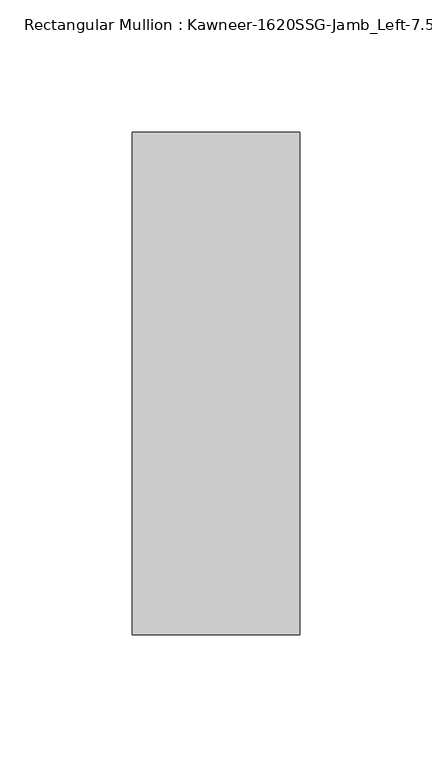
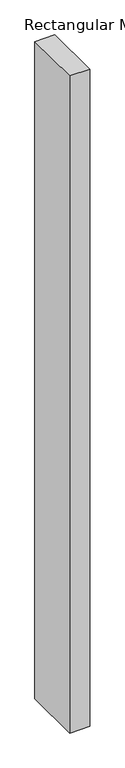
"""IFC4 building model written with IfcOpenShell, lengths in millimetres: member geometry."""

from ifc_helpers import new_model, si_unit, frame, origin, place, context, project, spatial, polyline, outline, extrude, source, transform, mapped, element, save


def member_ab0aa381(model_context):
    return source(origin(), model_context, "Body", "SweptSolid", [
        extrude(outline(polyline([(-63.5, 28.575), (0.0, 28.575), (0.0, -161.925), (-63.5, -161.925), (-63.5, 28.575)])), frame((0.0, 0.0, -2203.45), z_axis=(0.0, 0.0, 1.0), x_axis=(1.0, 0.0, 0.0)), (0.0, 0.0, 1.0), 2203.45),
    ])


if __name__ == "__main__":
    model = new_model("IFC4")
    model_context = context("Model", 3, world=origin())
    ifc_project = project(units=[si_unit("LENGTHUNIT", "METRE", prefix="MILLI")], contexts=[model_context])
    site = spatial("IfcSite", under=ifc_project)
    building = spatial("IfcBuilding", under=site)
    placement = place(None, origin())
    member_shape = member_ab0aa381(model_context)
    element("IfcMember", 1, ObjectType="Rectangular Mullion : Kawneer-1620SSG-Jamb_Left-7.5\"-1/4\"Infill", at=placement, inside=building, context=model_context, shape_type="MappedRepresentation", body=[
        mapped(member_shape, transform((0.0, 0.0, 0.0), x_axis=(1.0, 0.0, 0.0), y_axis=(0.0, 1.0, 0.0), z_axis=(0.0, 0.0, 1.0))),
    ])
    save(model, "model.ifc")
